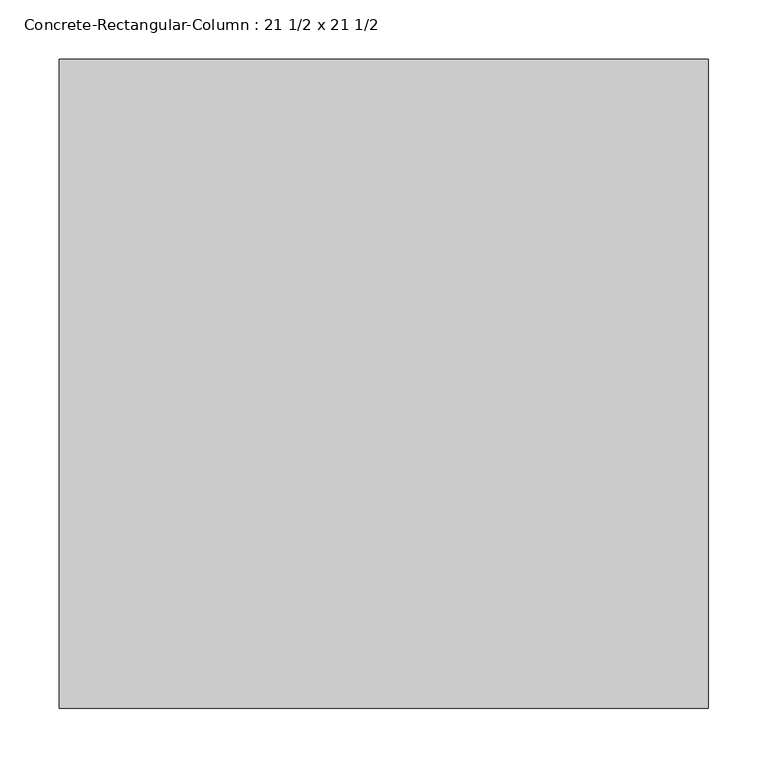
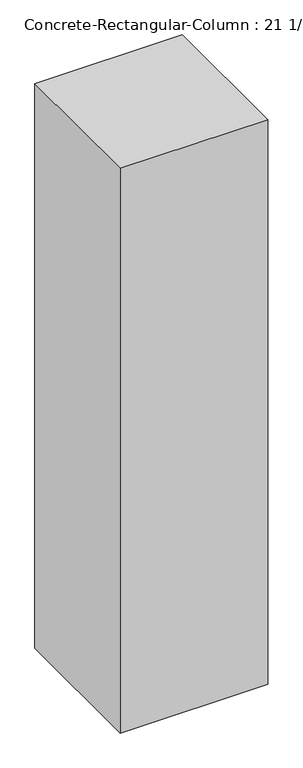
"""IFC4 building model written with IfcOpenShell, lengths in millimetres: column geometry, Concrete-Rectangular-Column : 21 1/2 x 21 1/2."""

from ifc_helpers import new_model, si_unit, frame, origin, place, context, project, spatial, polyline, outline, extrude, source, transform, mapped, element, save


def concrete_rectangular_column_21_1_2_x_21_1_2_9f595e44(model_context):
    return source(origin(), model_context, "Body", "SweptSolid", [
        extrude(outline(polyline([(273.05, -273.05), (-273.05, -273.05), (-273.05, 273.05), (273.05, 273.05), (273.05, -273.05)])), frame((0.0, 0.0, 3810.0), z_axis=(0.0, 0.0, 1.0), x_axis=(1.0, 0.0, 0.0)), (0.0, 0.0, 1.0), 2209.8),
    ])


if __name__ == "__main__":
    model = new_model("IFC4")
    model_context = context("Model", 3, world=origin())
    ifc_project = project(units=[si_unit("LENGTHUNIT", "METRE", prefix="MILLI")], contexts=[model_context])
    site = spatial("IfcSite", under=ifc_project)
    building = spatial("IfcBuilding", under=site)
    placement = place(None, origin())
    concrete_rectangular_column_21_1_2_x_21_1_2_shape = concrete_rectangular_column_21_1_2_x_21_1_2_9f595e44(model_context)
    element("IfcColumn", 1, ObjectType="Concrete-Rectangular-Column : 21 1/2 x 21 1/2", at=placement, inside=building, context=model_context, shape_type="MappedRepresentation", body=[
        mapped(concrete_rectangular_column_21_1_2_x_21_1_2_shape, transform((0.0, 0.0, 0.0), x_axis=(1.0, 0.0, 0.0), y_axis=(0.0, 1.0, 0.0), z_axis=(0.0, 0.0, 1.0))),
    ])
    save(model, "model.ifc")
